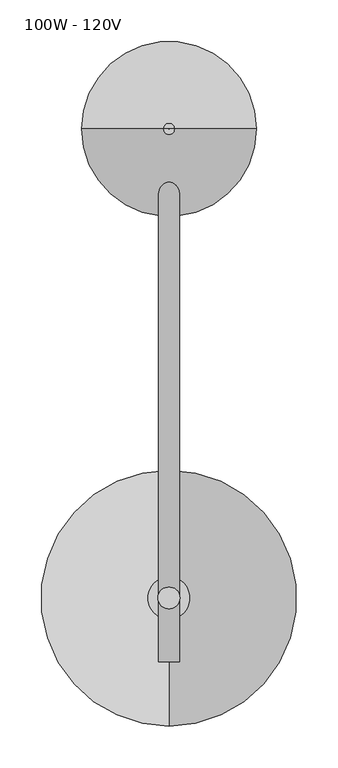
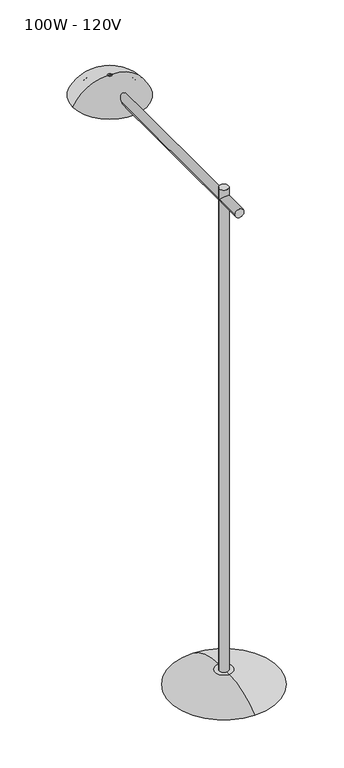
"""IFC4 building model written with IfcOpenShell, lengths in millimetres: light fixture geometry, 100W - 120V."""

from ifc_helpers import new_model, si_unit, point, frame, frame_2d, origin, origin_2d, place, context, project, spatial, polyline, circle_curve, ellipse_curve, trimmed, segment, composite_curve, outline, extrude, source, transform, mapped, element, save
from ifc_brep_helpers import plane_surface, revolved_surface, advanced_brep


def light_fixture_100w_120v_4af38d8b(model_context):
    return source(origin(), model_context, "Body", "SolidModel", [
        advanced_brep(
        [(7.0939984, 558.8, 1482.1060064), (-6.7771908, 558.8, 1482.1060064), (-104.0792783, 558.8, 1422.4), (104.3960859, 558.8, 1422.4), (0.9521538, 558.8, 1482.1060064), (-0.6353462, 558.8, 1482.1060064), (0.9521538, 558.8, 1466.2310064), (-0.6353462, 558.8, 1466.2310064), (88.460777, 558.8, 1422.4), (-88.1439694, 558.8, 1422.4)],
        [
            (0, 1, circle_curve(frame((0.1584038, 558.8, 1482.1060064), z_axis=(0.0, 0.0, -1.0), x_axis=(-1.0, 0.0, 0.0)), 6.9355946)),
            (1, 2, circle_curve(frame((-6.7771908, 558.8, 1372.9670419), z_axis=(0.0, -1.0, 0.0), x_axis=(-1.0, 0.0, 0.0)), 109.1389645)),
            (2, 3, circle_curve(frame((0.1584038, 558.8, 1422.4), z_axis=(0.0, 0.0, 1.0), x_axis=(-1.0, 0.0, 0.0)), 104.2376821)),
            (3, 0, circle_curve(frame((7.0939984, 558.8, 1372.9670419), z_axis=(0.0, -1.0, 0.0), x_axis=(1.0, 0.0, 0.0)), 109.1389645)),
            (1, 0, circle_curve(frame((0.1584038, 558.8, 1482.1060064), z_axis=(0.0, 0.0, -1.0), x_axis=(-1.0, 0.0, 0.0)), 6.9355946)),
            (3, 2, circle_curve(frame((0.1584038, 558.8, 1422.4), z_axis=(0.0, 0.0, 1.0), x_axis=(-1.0, 0.0, 0.0)), 104.2376821)),
            (4, 5, circle_curve(frame((0.1584038, 558.8, 1482.1060064), z_axis=(0.0, 0.0, -1.0), x_axis=(-1.0, 0.0, 0.0)), 0.79375)),
            (5, 1),
            (0, 4),
            (5, 4, circle_curve(frame((0.1584038, 558.8, 1482.1060064), z_axis=(0.0, 0.0, -1.0), x_axis=(-1.0, 0.0, 0.0)), 0.79375)),
            (6, 7, circle_curve(frame((0.1584038, 558.8, 1466.2310064), z_axis=(0.0, 0.0, -1.0), x_axis=(-1.0, 0.0, 0.0)), 0.79375)),
            (7, 5),
            (4, 6),
            (7, 6, circle_curve(frame((0.1584038, 558.8, 1466.2310064), z_axis=(0.0, 0.0, -1.0), x_axis=(-1.0, 0.0, 0.0)), 0.79375)),
            (8, 9, circle_curve(frame((0.1584038, 558.8, 1422.4), z_axis=(0.0, 0.0, -1.0), x_axis=(-1.0, 0.0, 0.0)), 88.3023732)),
            (9, 7, circle_curve(frame((-5.6948029, 558.8, 1367.0612089), z_axis=(0.0, 1.0, 0.0), x_axis=(-1.0, 0.0, 0.0)), 99.2987756)),
            (6, 8, circle_curve(frame((6.0116106, 558.8, 1367.0612089), z_axis=(0.0, 1.0, 0.0), x_axis=(1.0, 0.0, 0.0)), 99.2987756)),
            (9, 8, circle_curve(frame((0.1584038, 558.8, 1422.4), z_axis=(0.0, 0.0, -1.0), x_axis=(-1.0, 0.0, 0.0)), 88.3023732)),
            (2, 9),
            (8, 3),
        ],
        [
            revolved_surface(trimmed(ellipse_curve(frame((-6.7771908, 558.8, 1372.9670419), z_axis=(0.0, 1.0, 0.0), x_axis=(-1.0, 0.0, 0.0)), 109.1389645, 109.1389645), [point((-104.0792783, 558.8, 1422.4))], [point((-6.7771908, 558.8, 1482.1060064))], True, "CARTESIAN"), (0.1584038, 558.8, 1422.4), (0.0, 0.0, 1.0)),
            plane_surface(frame((0.1584038, 558.8, 1482.1060064), z_axis=(0.0, 0.0, 1.0), x_axis=(-1.0, 0.0, 0.0))),
            revolved_surface(polyline([(-0.6353462, 558.8, 1482.1060064), (-0.6353462, 558.8, 1466.2310064)]), (0.1584038, 558.8, 1422.4), (0.0, 0.0, 1.0)),
            revolved_surface(trimmed(ellipse_curve(frame((-5.6948029, 558.8, 1367.0612089), z_axis=(0.0, -1.0, 0.0), x_axis=(-1.0, 0.0, 0.0)), 99.2987756, 99.2987756), [point((-0.6353462, 558.8, 1466.2310064))], [point((-88.1439694, 558.8, 1422.4))], True, "CARTESIAN"), (0.1584038, 558.8, 1422.4), (0.0, 0.0, 1.0)),
            plane_surface(frame((0.1584038, 558.8, 1422.4), z_axis=(0.0, 0.0, -1.0), x_axis=(-1.0, 0.0, 0.0))),
        ],
        [
            (0, [[1, 2, 3, 4]]),
            (0, [[5, -4, 6, -2]]),
            (1, [[7, 8, -1, 9]]),
            (1, [[10, -9, -5, -8]]),
            (2, [[11, 12, -7, 13]]),
            (2, [[14, -13, -10, -12]]),
            (3, [[15, 16, -11, 17]]),
            (3, [[18, -17, -14, -16]]),
            (4, [[-3, 19, -15, 20]]),
            (4, [[-6, -20, -18, -19]]),
        ],
    ),
        extrude(outline(composite_curve([segment(trimmed(circle_curve(frame_2d((1454.15, 0.1584038)), 12.7), [point((1454.15, 12.8584038))], [point((1454.15, -12.5415962))], False, "CARTESIAN"), True, "CONTINUOUS"), segment(trimmed(circle_curve(frame_2d((1454.15, 0.1584038)), 12.7), [point((1454.15, -12.5415962))], [point((1454.15, 12.8584038))], False, "CARTESIAN"), True, "CONTINUOUS")], self_intersect=False)), frame((0.0, -76.2, 0.0), z_axis=(0.0, 1.0, 0.0), x_axis=(0.0, 0.0, 1.0)), (0.0, 0.0, 1.0), 635.0),
        extrude(outline(composite_curve([segment(trimmed(circle_curve(origin_2d(), 13.0517196), [point((-13.0517196, 0.0))], [point((13.0517196, 0.0))], False, "CARTESIAN"), True, "CONTINUOUS"), segment(trimmed(circle_curve(origin_2d(), 13.0517196), [point((13.0517196, 0.0))], [point((-13.0517196, 0.0))], False, "CARTESIAN"), True, "CONTINUOUS")], self_intersect=False)), frame((0.0, 0.0, 44.6381337), z_axis=(0.0, 0.0, 1.0), x_axis=(1.0, 0.0, 0.0)), (0.0, 0.0, 1.0), 1441.2618663),
        advanced_brep(
        [(0.0, -25.4, 44.971188), (0.0, 25.4, 44.971188), (0.0, 152.4, 0.0), (0.0, -152.4, 0.0), (0.0, -2.4670255, 44.971188), (0.0, 2.4670255, 44.971188), (0.0, -2.4670255, 0.0), (0.0, 2.4670255, 0.0)],
        [
            (0, 1, circle_curve(frame((0.0, 0.0, 44.971188), z_axis=(0.0, 0.0, -1.0), x_axis=(0.0, 1.0, 0.0)), 25.4)),
            (1, 2, circle_curve(frame((0.0, 25.4, -156.8403335), z_axis=(-1.0, 0.0, 0.0), x_axis=(0.0, 1.0, 0.0)), 201.8115215)),
            (2, 3, circle_curve(frame((0.0, 0.0, 0.0), z_axis=(0.0, 0.0, 1.0), x_axis=(0.0, 1.0, 0.0)), 152.4)),
            (3, 0, circle_curve(frame((0.0, -25.4, -156.8403335), z_axis=(-1.0, 0.0, 0.0), x_axis=(0.0, -1.0, 0.0)), 201.8115215)),
            (1, 0, circle_curve(frame((0.0, 0.0, 44.971188), z_axis=(0.0, 0.0, -1.0), x_axis=(0.0, 1.0, 0.0)), 25.4)),
            (3, 2, circle_curve(frame((0.0, 0.0, 0.0), z_axis=(0.0, 0.0, 1.0), x_axis=(0.0, 1.0, 0.0)), 152.4)),
            (4, 5, circle_curve(frame((0.0, 0.0, 44.971188), z_axis=(0.0, 0.0, -1.0), x_axis=(0.0, 1.0, 0.0)), 2.4670255)),
            (5, 1),
            (0, 4),
            (5, 4, circle_curve(frame((0.0, 0.0, 44.971188), z_axis=(0.0, 0.0, -1.0), x_axis=(0.0, 1.0, 0.0)), 2.4670255)),
            (6, 7, circle_curve(frame((0.0, 0.0, 0.0), z_axis=(0.0, 0.0, -1.0), x_axis=(0.0, 1.0, 0.0)), 2.4670255)),
            (7, 5),
            (4, 6),
            (7, 6, circle_curve(frame((0.0, 0.0, 0.0), z_axis=(0.0, 0.0, -1.0), x_axis=(0.0, 1.0, 0.0)), 2.4670255)),
            (2, 7),
            (6, 3),
        ],
        [
            revolved_surface(trimmed(ellipse_curve(frame((0.0, 25.4, -156.8403335), z_axis=(1.0, 0.0, 0.0), x_axis=(0.0, 1.0, 0.0)), 201.8115215, 201.8115215), [point((0.0, 152.4, 0.0))], [point((0.0, 25.4, 44.971188))], True, "CARTESIAN"), (0.0, 0.0, 0.0), (0.0, 0.0, 1.0)),
            plane_surface(frame((0.0, 0.0, 44.971188), z_axis=(0.0, 0.0, 1.0), x_axis=(0.0, 1.0, 0.0))),
            revolved_surface(polyline([(0.0, 2.4670255, 44.971188), (0.0, 2.4670255, 0.0)]), (0.0, 0.0, 0.0), (0.0, 0.0, 1.0)),
            plane_surface(frame((0.0, 0.0, 0.0), z_axis=(0.0, 0.0, -1.0), x_axis=(0.0, 1.0, 0.0))),
        ],
        [
            (0, [[1, 2, 3, 4]]),
            (0, [[5, -4, 6, -2]]),
            (1, [[7, 8, -1, 9]]),
            (1, [[10, -9, -5, -8]]),
            (2, [[11, 12, -7, 13]]),
            (2, [[14, -13, -10, -12]]),
            (3, [[-3, 15, -11, 16]]),
            (3, [[-6, -16, -14, -15]]),
        ],
    ),
    ])


if __name__ == "__main__":
    model = new_model("IFC4")
    model_context = context("Model", 3, world=origin())
    ifc_project = project(units=[si_unit("LENGTHUNIT", "METRE", prefix="MILLI")], contexts=[model_context])
    site = spatial("IfcSite", under=ifc_project)
    building = spatial("IfcBuilding", under=site)
    placement = place(None, origin())
    light_fixture_100w_120v_shape = light_fixture_100w_120v_4af38d8b(model_context)
    element("IfcLightFixture", 1, ObjectType="100W - 120V", at=placement, inside=building, context=model_context, shape_type="MappedRepresentation", body=[
        mapped(light_fixture_100w_120v_shape, transform((0.0, 0.0, 0.0), x_axis=(1.0, 0.0, 0.0), y_axis=(0.0, 1.0, 0.0), z_axis=(0.0, 0.0, 1.0))),
    ])
    save(model, "model.ifc")
